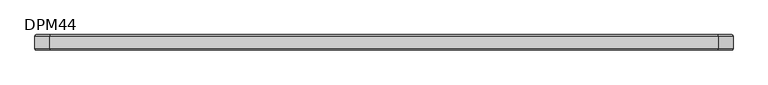
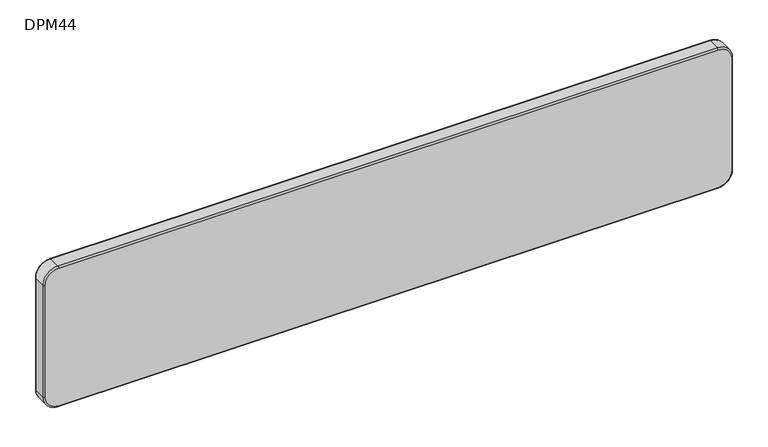
"""IFC4 building model written with IfcOpenShell, lengths in millimetres: furniture geometry, DPM44."""

from ifc_helpers import new_model, si_unit, point, frame, origin, place, context, project, spatial, circle_curve, ellipse_curve, trimmed, source, transform, mapped, element, save
from ifc_brep_helpers import plane_surface, cylinder_surface, revolved_surface, advanced_brep


def dpm44_9e6cb9ac(model_context):
    return source(origin(), model_context, "Body", "AdvancedBrep", [
        advanced_brep(
        [(-622.0, -14.5, 283.0), (-647.0, -14.5, 258.0), (-647.0, -14.5, 34.0), (-622.0, -14.5, 9.0), (622.0, -14.5, 9.0), (647.0, -14.5, 34.0), (647.0, -14.5, 258.0), (622.0, -14.5, 283.0), (622.0, 14.5, 283.0), (647.0, 14.5, 258.0), (647.0, 14.5, 34.0), (622.0, 14.5, 9.0), (-622.0, 14.5, 9.0), (-647.0, 14.5, 34.0), (-647.0, 14.5, 258.0), (-622.0, 14.5, 283.0), (-622.0, -11.5, 286.0), (622.0, -11.5, 286.0), (622.0, 11.5000015, 286.0), (-622.0, 11.5, 286.0), (-650.0, -11.5, 258.0), (-650.0, 11.5, 258.0), (-650.0, -11.5, 34.0), (-650.0, 11.5, 34.0), (-622.0, -11.5, 6.0), (-622.0, 11.5, 6.0), (622.0, -11.5, 6.0), (622.0, 11.5, 6.0), (650.0, -11.5, 34.0), (650.0, 11.5, 34.0), (650.0, -11.5, 258.0), (650.0, 11.5, 258.0)],
        [
            (0, 1, circle_curve(frame((-622.0, -14.5, 258.0), z_axis=(0.0, -1.0, 0.0), x_axis=(0.0, 0.0, 1.0)), 25.0)),
            (1, 2),
            (2, 3, circle_curve(frame((-622.0, -14.5, 34.0), z_axis=(0.0, -1.0, 0.0), x_axis=(-1.0, 0.0, 0.0)), 25.0)),
            (3, 4),
            (4, 5, circle_curve(frame((622.0, -14.5, 34.0), z_axis=(0.0, -1.0, 0.0), x_axis=(0.0, 0.0, -1.0)), 25.0)),
            (5, 6),
            (6, 7, circle_curve(frame((622.0, -14.5, 258.0), z_axis=(0.0, -1.0, 0.0), x_axis=(1.0, 0.0, 0.0)), 25.0)),
            (7, 0),
            (8, 9, circle_curve(frame((622.0, 14.5, 258.0), z_axis=(0.0, 1.0, 0.0), x_axis=(0.0, 0.0, 1.0)), 25.0)),
            (9, 10),
            (10, 11, circle_curve(frame((622.0, 14.5, 34.0), z_axis=(0.0, 1.0, 0.0), x_axis=(1.0, 0.0, 0.0)), 25.0)),
            (11, 12),
            (12, 13, circle_curve(frame((-622.0, 14.5, 34.0), z_axis=(0.0, 1.0, 0.0), x_axis=(0.0, 0.0, -1.0)), 25.0)),
            (13, 14),
            (14, 15, circle_curve(frame((-622.0, 14.5, 258.0), z_axis=(0.0, 1.0, 0.0), x_axis=(-1.0, 0.0, 0.0)), 25.0)),
            (15, 8),
            (16, 17),
            (17, 18),
            (18, 19),
            (19, 16),
            (20, 16, circle_curve(frame((-622.0, -11.5, 258.0), z_axis=(0.0, 1.0, 0.0), x_axis=(1.0, 0.0, 0.0)), 28.0)),
            (19, 21, circle_curve(frame((-622.0, 11.5, 258.0), z_axis=(0.0, -1.0, 0.0), x_axis=(1.0, 0.0, 0.0)), 28.0)),
            (21, 20),
            (22, 20),
            (21, 23),
            (23, 22),
            (24, 22, circle_curve(frame((-622.0, -11.5, 34.0), z_axis=(0.0, 1.0, 0.0), x_axis=(1.0, 0.0, 0.0)), 28.0)),
            (23, 25, circle_curve(frame((-622.0, 11.5, 34.0), z_axis=(0.0, -1.0, 0.0), x_axis=(1.0, 0.0, 0.0)), 28.0)),
            (25, 24),
            (26, 24),
            (25, 27),
            (27, 26),
            (28, 26, circle_curve(frame((622.0, -11.5, 34.0), z_axis=(0.0, 1.0, 0.0), x_axis=(1.0, 0.0, 0.0)), 28.0)),
            (27, 29, circle_curve(frame((622.0, 11.5, 34.0), z_axis=(0.0, -1.0, 0.0), x_axis=(1.0, 0.0, 0.0)), 28.0)),
            (29, 28),
            (30, 28),
            (29, 31),
            (31, 30),
            (17, 30, circle_curve(frame((622.0, -11.5, 258.0), z_axis=(0.0, 1.0, 0.0), x_axis=(1.0, 0.0, 0.0)), 28.0)),
            (31, 18, circle_curve(frame((622.0, 11.5, 258.0), z_axis=(0.0, -1.0, 0.0), x_axis=(1.0, 0.0, 0.0)), 28.0)),
            (20, 1, circle_curve(frame((-647.0, -11.5, 258.0), z_axis=(0.0, 0.0, 1.0), x_axis=(0.0, -1.0, 0.0)), 3.0)),
            (0, 16, circle_curve(frame((-622.0, -11.5, 283.0), z_axis=(-1.0, 0.0, 0.0), x_axis=(0.0, -1.0, 0.0)), 3.0)),
            (22, 2, circle_curve(frame((-647.0, -11.5, 34.0), z_axis=(0.0, 0.0, 1.0), x_axis=(0.0, -1.0, 0.0)), 3.0)),
            (24, 3, circle_curve(frame((-622.0, -11.5, 9.0), z_axis=(-1.0, 0.0, 0.0), x_axis=(0.0, -1.0, 0.0)), 3.0)),
            (26, 4, circle_curve(frame((622.0, -11.5, 9.0), z_axis=(-1.0, 0.0, 0.0), x_axis=(0.0, -1.0, 0.0)), 3.0)),
            (28, 5, circle_curve(frame((647.0, -11.5, 34.0), z_axis=(0.0, 0.0, -1.0), x_axis=(0.0, -1.0, 0.0)), 3.0)),
            (30, 6, circle_curve(frame((647.0, -11.5, 258.0), z_axis=(0.0, 0.0, -1.0), x_axis=(0.0, -1.0, 0.0)), 3.0)),
            (17, 7, circle_curve(frame((622.0, -11.5, 283.0), z_axis=(1.0, 0.0, 0.0), x_axis=(0.0, -1.0, 0.0)), 3.0)),
            (31, 9, circle_curve(frame((647.0, 11.5, 258.0), z_axis=(0.0, 0.0, 1.0), x_axis=(1.0, 0.0, 0.0)), 3.0)),
            (8, 18, circle_curve(frame((622.0, 11.5, 283.0), z_axis=(1.0, 0.0, 0.0), x_axis=(0.0, 0.0, 1.0)), 3.0)),
            (29, 10, circle_curve(frame((647.0, 11.5, 34.0), z_axis=(0.0, 0.0, 1.0), x_axis=(1.0, 0.0, 0.0)), 3.0)),
            (27, 11, circle_curve(frame((622.0, 11.5, 9.0), z_axis=(1.0, 0.0, 0.0), x_axis=(0.0, 0.0, -1.0)), 3.0)),
            (25, 12, circle_curve(frame((-622.0, 11.5, 9.0), z_axis=(1.0, 0.0, 0.0), x_axis=(0.0, 0.0, -1.0)), 3.0)),
            (23, 13, circle_curve(frame((-647.0, 11.5, 34.0), z_axis=(0.0, 0.0, -1.0), x_axis=(-1.0, 0.0, 0.0)), 3.0)),
            (21, 14, circle_curve(frame((-647.0, 11.5, 258.0), z_axis=(0.0, 0.0, -1.0), x_axis=(-1.0, 0.0, 0.0)), 3.0)),
            (19, 15, circle_curve(frame((-622.0, 11.5, 283.0), z_axis=(-1.0, 0.0, 0.0), x_axis=(0.0, 0.0, 1.0)), 3.0)),
        ],
        [
            plane_surface(frame((-622.0, -14.5, 286.0), z_axis=(0.0, -1.0, 0.0), x_axis=(-1.0, 0.0, 0.0))),
            plane_surface(frame((-622.0, 14.5, 286.0), z_axis=(0.0, 1.0, 0.0), x_axis=(1.0, 0.0, 0.0))),
            plane_surface(frame((622.0, -14.5, 286.0), z_axis=(0.0, 0.0, 1.0), x_axis=(0.0, 1.0, 0.0))),
            cylinder_surface(frame((-622.0, 14.5, 258.0), z_axis=(0.0, -1.0, 0.0), x_axis=(1.0, 0.0, 0.0)), 28.0),
            plane_surface(frame((-650.0, -14.5, 258.0), z_axis=(-1.0, 0.0, 0.0), x_axis=(0.0, 1.0, 0.0))),
            cylinder_surface(frame((-622.0, 14.5, 34.0), z_axis=(0.0, -1.0, 0.0), x_axis=(1.0, 0.0, 0.0)), 28.0),
            plane_surface(frame((-622.0, -14.5, 6.0), z_axis=(0.0, 0.0, -1.0), x_axis=(0.0, 1.0, 0.0))),
            cylinder_surface(frame((622.0, 14.5, 34.0), z_axis=(0.0, -1.0, 0.0), x_axis=(1.0, 0.0, 0.0)), 28.0),
            plane_surface(frame((650.0, -14.5, 34.0), z_axis=(1.0, 0.0, 0.0), x_axis=(0.0, 1.0, 0.0))),
            cylinder_surface(frame((622.0, 14.5, 258.0), z_axis=(0.0, -1.0, 0.0), x_axis=(1.0, 0.0, 0.0)), 28.0),
            revolved_surface(trimmed(ellipse_curve(frame((-622.0, -11.5, 283.0), z_axis=(1.0, 0.0, 0.0), x_axis=(0.0, -1.0, 0.0)), 3.0, 3.0), [point((-622.0, -11.5, 286.0))], [point((-622.0, -14.5, 283.0))], True, "CARTESIAN"), (-622.0, -14.5, 258.0), (0.0, -1.0, 0.0)),
            cylinder_surface(frame((-647.0, -11.5, 258.0), z_axis=(0.0, 0.0, -1.0), x_axis=(0.0, -1.0, 0.0)), 3.0),
            revolved_surface(trimmed(ellipse_curve(frame((-647.0, -11.5, 34.0), z_axis=(0.0, 0.0, 1.0), x_axis=(0.0, -1.0, 0.0)), 3.0, 3.0), [point((-650.0, -11.5, 34.0))], [point((-647.0, -14.5, 34.0))], True, "CARTESIAN"), (-622.0, -14.5, 34.0), (0.0, -1.0, 0.0)),
            cylinder_surface(frame((-622.0, -11.5, 9.0), z_axis=(1.0, 0.0, 0.0), x_axis=(0.0, -1.0, 0.0)), 3.0),
            revolved_surface(trimmed(ellipse_curve(frame((622.0, -11.5, 9.0), z_axis=(-1.0, 0.0, 0.0), x_axis=(0.0, -1.0, 0.0)), 3.0, 3.0), [point((622.0, -11.5, 6.0))], [point((622.0, -14.5, 9.0))], True, "CARTESIAN"), (622.0, -14.5, 34.0), (0.0, -1.0, 0.0)),
            cylinder_surface(frame((647.0, -11.5, 34.0), z_axis=(0.0, 0.0, 1.0), x_axis=(0.0, -1.0, 0.0)), 3.0),
            revolved_surface(trimmed(ellipse_curve(frame((647.0, -11.5, 258.0), z_axis=(0.0, 0.0, -1.0), x_axis=(0.0, -1.0, 0.0)), 3.0, 3.0), [point((650.0, -11.5, 258.0))], [point((647.0, -14.5, 258.0))], True, "CARTESIAN"), (622.0, -14.5, 258.0), (0.0, -1.0, 0.0)),
            cylinder_surface(frame((622.0, -11.5, 283.0), z_axis=(-1.0, 0.0, 0.0), x_axis=(0.0, -1.0, 0.0)), 3.0),
            revolved_surface(trimmed(ellipse_curve(frame((622.0, 11.5, 283.0), z_axis=(-1.0, 0.0, 0.0), x_axis=(0.0, 0.0, 1.0)), 3.0, 3.0), [point((622.0, 11.5, 286.0))], [point((622.0, 14.5, 283.0))], True, "CARTESIAN"), (622.0, 0.0, 258.0), (0.0, 1.0, 0.0)),
            cylinder_surface(frame((647.0, 11.5, 258.0), z_axis=(0.0, 0.0, -1.0), x_axis=(1.0, 0.0, 0.0)), 3.0),
            revolved_surface(trimmed(ellipse_curve(frame((647.0, 11.5, 34.0), z_axis=(0.0, 0.0, 1.0), x_axis=(1.0, 0.0, 0.0)), 3.0, 3.0), [point((650.0, 11.5, 34.0))], [point((647.0, 14.5, 34.0))], True, "CARTESIAN"), (622.0, 0.0, 34.0), (0.0, 1.0, 0.0)),
            cylinder_surface(frame((622.0, 11.5, 9.0), z_axis=(-1.0, 0.0, 0.0), x_axis=(0.0, 0.0, -1.0)), 3.0),
            revolved_surface(trimmed(ellipse_curve(frame((-622.0, 11.5, 9.0), z_axis=(1.0, 0.0, 0.0), x_axis=(0.0, 0.0, -1.0)), 3.0, 3.0), [point((-622.0, 11.5, 6.0))], [point((-622.0, 14.5, 9.0))], True, "CARTESIAN"), (-622.0, 0.0, 34.0), (0.0, 1.0, 0.0)),
            cylinder_surface(frame((-647.0, 11.5, 34.0), z_axis=(0.0, 0.0, 1.0), x_axis=(-1.0, 0.0, 0.0)), 3.0),
            revolved_surface(trimmed(ellipse_curve(frame((-647.0, 11.5, 258.0), z_axis=(0.0, 0.0, -1.0), x_axis=(-1.0, 0.0, 0.0)), 3.0, 3.0), [point((-650.0, 11.5, 258.0))], [point((-647.0, 14.5, 258.0))], True, "CARTESIAN"), (-622.0, 0.0, 258.0), (0.0, 1.0, 0.0)),
            cylinder_surface(frame((-622.0, 11.5, 283.0), z_axis=(1.0, 0.0, 0.0), x_axis=(0.0, 0.0, 1.0)), 3.0),
        ],
        [
            (0, [[1, 2, 3, 4, 5, 6, 7, 8]]),
            (1, [[9, 10, 11, 12, 13, 14, 15, 16]]),
            (2, [[17, 18, 19, 20]]),
            (3, [[21, -20, 22, 23]]),
            (4, [[24, -23, 25, 26]]),
            (5, [[27, -26, 28, 29]]),
            (6, [[30, -29, 31, 32]]),
            (7, [[33, -32, 34, 35]]),
            (8, [[36, -35, 37, 38]]),
            (9, [[39, -38, 40, -18]]),
            (10, [[41, -1, 42, -21]]),
            (11, [[-41, -24, 43, -2]]),
            (12, [[-43, -27, 44, -3]]),
            (13, [[-44, -30, 45, -4]]),
            (14, [[-45, -33, 46, -5]]),
            (15, [[-46, -36, 47, -6]]),
            (16, [[-47, -39, 48, -7]]),
            (17, [[-42, -8, -48, -17]]),
            (18, [[49, -9, 50, -40]]),
            (19, [[-49, -37, 51, -10]]),
            (20, [[-51, -34, 52, -11]]),
            (21, [[-52, -31, 53, -12]]),
            (22, [[-53, -28, 54, -13]]),
            (23, [[-54, -25, 55, -14]]),
            (24, [[-55, -22, 56, -15]]),
            (25, [[-50, -16, -56, -19]]),
        ],
    ),
    ])


if __name__ == "__main__":
    model = new_model("IFC4")
    model_context = context("Model", 3, world=origin())
    ifc_project = project(units=[si_unit("LENGTHUNIT", "METRE", prefix="MILLI")], contexts=[model_context])
    site = spatial("IfcSite", under=ifc_project)
    building = spatial("IfcBuilding", under=site)
    placement = place(None, origin())
    dpm44_shape = dpm44_9e6cb9ac(model_context)
    element("IfcFurniture", 1, ObjectType="DPM44", at=placement, inside=building, context=model_context, shape_type="MappedRepresentation", body=[
        mapped(dpm44_shape, transform((0.0, 0.0, 0.0), x_axis=(1.0, 0.0, 0.0), y_axis=(0.0, 1.0, 0.0), z_axis=(0.0, 0.0, 1.0))),
    ])
    save(model, "model.ifc")
